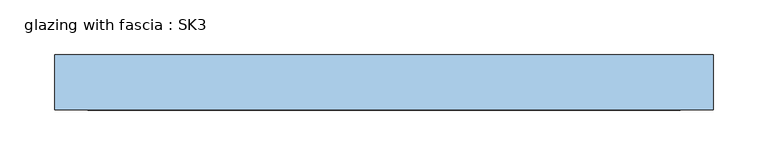
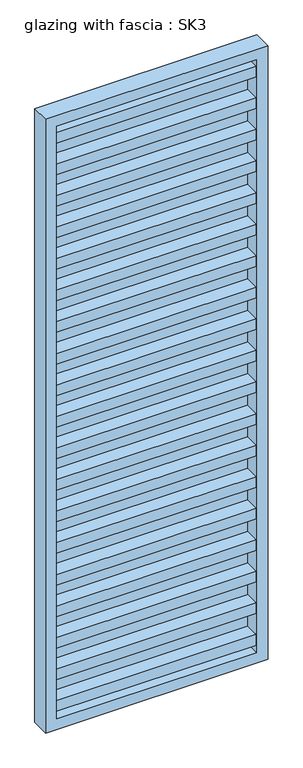
"""IFC4 building model written with IfcOpenShell, lengths in millimetres: window geometry, glazing with fascia : SK3."""

from ifc_helpers import new_model, si_unit, frame, origin, place, context, project, spatial, polyline, outline, extrude, source, transform, mapped, element, save


def glazing_with_fascia_sk3_745c6f6e(model_context):
    return source(origin(), model_context, "Body", "SweptSolid", [
        extrude(outline(polyline([(269.9998148, -0.1334055), (269.9998148, -8.1334055), (-269.9998148, -8.1334055), (-269.9998148, -0.1334055), (269.9998148, -0.1334055)])), frame((0.0, 0.0, 30.0), z_axis=(0.0, 0.0, 1.0), x_axis=(1.0, 0.0, 0.0)), (0.0, 0.0, 1.0), 1690.0),
        extrude(outline(polyline([(1750.0, -299.9998148), (0.0, -299.9998148), (0.0, 299.9998148), (1750.0, 299.9998148), (1750.0, -299.9998148)]), holes=[polyline([(1720.0, -269.9998148), (1720.0, 269.9998148), (30.0, 269.9998148), (30.0, -269.9998148), (1720.0, -269.9998148)])]), frame((0.0, -50.0, 0.0), z_axis=(0.0, 1.0, 0.0), x_axis=(0.0, 0.0, 1.0)), (0.0, 0.0, 1.0), 50.0),
        extrude(outline(polyline([(-269.9998148, -48.1334055), (-269.9998148, -8.1334055), (269.9998148, -8.1334055), (269.9998148, -48.1334055), (-269.9998148, -48.1334055)])), frame((0.0, 0.0, 1580.4), z_axis=(0.0, 0.0, 1.0), x_axis=(1.0, 0.0, 0.0)), (0.0, 0.0, 1.0), 30.0),
        extrude(outline(polyline([(-269.9998148, -48.1334055), (-269.9998148, -8.1334055), (269.9998148, -8.1334055), (269.9998148, -48.1334055), (-269.9998148, -48.1334055)])), frame((0.0, 0.0, 1490.4), z_axis=(0.0, 0.0, 1.0), x_axis=(1.0, 0.0, 0.0)), (0.0, 0.0, 1.0), 30.0),
        extrude(outline(polyline([(-269.9998148, -48.1334055), (-269.9998148, -8.1334055), (269.9998148, -8.1334055), (269.9998148, -48.1334055), (-269.9998148, -48.1334055)])), frame((0.0, 0.0, 1400.4), z_axis=(0.0, 0.0, 1.0), x_axis=(1.0, 0.0, 0.0)), (0.0, 0.0, 1.0), 30.0),
        extrude(outline(polyline([(-269.9998148, -48.1334055), (-269.9998148, -8.1334055), (269.9998148, -8.1334055), (269.9998148, -48.1334055), (-269.9998148, -48.1334055)])), frame((0.0, 0.0, 1310.4), z_axis=(0.0, 0.0, 1.0), x_axis=(1.0, 0.0, 0.0)), (0.0, 0.0, 1.0), 30.0),
        extrude(outline(polyline([(-269.9998148, -48.1334055), (-269.9998148, -8.1334055), (269.9998148, -8.1334055), (269.9998148, -48.1334055), (-269.9998148, -48.1334055)])), frame((0.0, 0.0, 1220.4), z_axis=(0.0, 0.0, 1.0), x_axis=(1.0, 0.0, 0.0)), (0.0, 0.0, 1.0), 30.0),
        extrude(outline(polyline([(-269.9998148, -48.1334055), (-269.9998148, -8.1334055), (269.9998148, -8.1334055), (269.9998148, -48.1334055), (-269.9998148, -48.1334055)])), frame((0.0, 0.0, 1130.4), z_axis=(0.0, 0.0, 1.0), x_axis=(1.0, 0.0, 0.0)), (0.0, 0.0, 1.0), 30.0),
        extrude(outline(polyline([(-269.9998148, -48.1334055), (-269.9998148, -8.1334055), (269.9998148, -8.1334055), (269.9998148, -48.1334055), (-269.9998148, -48.1334055)])), frame((0.0, 0.0, 1040.4), z_axis=(0.0, 0.0, 1.0), x_axis=(1.0, 0.0, 0.0)), (0.0, 0.0, 1.0), 30.0),
        extrude(outline(polyline([(-269.9998148, -48.1334055), (-269.9998148, -8.1334055), (269.9998148, -8.1334055), (269.9998148, -48.1334055), (-269.9998148, -48.1334055)])), frame((0.0, 0.0, 950.4), z_axis=(0.0, 0.0, 1.0), x_axis=(1.0, 0.0, 0.0)), (0.0, 0.0, 1.0), 30.0),
        extrude(outline(polyline([(-269.9998148, -48.1334055), (-269.9998148, -8.1334055), (269.9998148, -8.1334055), (269.9998148, -48.1334055), (-269.9998148, -48.1334055)])), frame((0.0, 0.0, 860.4), z_axis=(0.0, 0.0, 1.0), x_axis=(1.0, 0.0, 0.0)), (0.0, 0.0, 1.0), 30.0),
        extrude(outline(polyline([(-269.9998148, -48.1334055), (-269.9998148, -8.1334055), (269.9998148, -8.1334055), (269.9998148, -48.1334055), (-269.9998148, -48.1334055)])), frame((0.0, 0.0, 770.4), z_axis=(0.0, 0.0, 1.0), x_axis=(1.0, 0.0, 0.0)), (0.0, 0.0, 1.0), 30.0),
        extrude(outline(polyline([(-269.9998148, -48.1334055), (-269.9998148, -8.1334055), (269.9998148, -8.1334055), (269.9998148, -48.1334055), (-269.9998148, -48.1334055)])), frame((0.0, 0.0, 680.4), z_axis=(0.0, 0.0, 1.0), x_axis=(1.0, 0.0, 0.0)), (0.0, 0.0, 1.0), 30.0),
        extrude(outline(polyline([(-269.9998148, -48.1334055), (-269.9998148, -8.1334055), (269.9998148, -8.1334055), (269.9998148, -48.1334055), (-269.9998148, -48.1334055)])), frame((0.0, 0.0, 590.4), z_axis=(0.0, 0.0, 1.0), x_axis=(1.0, 0.0, 0.0)), (0.0, 0.0, 1.0), 30.0),
        extrude(outline(polyline([(-269.9998148, -48.1334055), (-269.9998148, -8.1334055), (269.9998148, -8.1334055), (269.9998148, -48.1334055), (-269.9998148, -48.1334055)])), frame((0.0, 0.0, 500.4), z_axis=(0.0, 0.0, 1.0), x_axis=(1.0, 0.0, 0.0)), (0.0, 0.0, 1.0), 30.0),
        extrude(outline(polyline([(-269.9998148, -48.1334055), (-269.9998148, -8.1334055), (269.9998148, -8.1334055), (269.9998148, -48.1334055), (-269.9998148, -48.1334055)])), frame((0.0, 0.0, 410.4), z_axis=(0.0, 0.0, 1.0), x_axis=(1.0, 0.0, 0.0)), (0.0, 0.0, 1.0), 30.0),
        extrude(outline(polyline([(-269.9998148, -48.1334055), (-269.9998148, -8.1334055), (269.9998148, -8.1334055), (269.9998148, -48.1334055), (-269.9998148, -48.1334055)])), frame((0.0, 0.0, 320.4), z_axis=(0.0, 0.0, 1.0), x_axis=(1.0, 0.0, 0.0)), (0.0, 0.0, 1.0), 30.0),
        extrude(outline(polyline([(-269.9998148, -48.1334055), (-269.9998148, -8.1334055), (269.9998148, -8.1334055), (269.9998148, -48.1334055), (-269.9998148, -48.1334055)])), frame((0.0, 0.0, 230.4), z_axis=(0.0, 0.0, 1.0), x_axis=(1.0, 0.0, 0.0)), (0.0, 0.0, 1.0), 30.0),
        extrude(outline(polyline([(-269.9998148, -48.1334055), (-269.9998148, -8.1334055), (269.9998148, -8.1334055), (269.9998148, -48.1334055), (-269.9998148, -48.1334055)])), frame((0.0, 0.0, 140.4), z_axis=(0.0, 0.0, 1.0), x_axis=(1.0, 0.0, 0.0)), (0.0, 0.0, 1.0), 30.0),
        extrude(outline(polyline([(-269.9998148, -48.1334055), (-269.9998148, -8.1334055), (269.9998148, -8.1334055), (269.9998148, -48.1334055), (-269.9998148, -48.1334055)])), frame((0.0, 0.0, 50.4), z_axis=(0.0, 0.0, 1.0), x_axis=(1.0, 0.0, 0.0)), (0.0, 0.0, 1.0), 30.0),
        extrude(outline(polyline([(-269.9998148, -48.1334055), (-269.9998148, -8.1334055), (269.9998148, -8.1334055), (269.9998148, -48.1334055), (-269.9998148, -48.1334055)])), frame((0.0, 0.0, 1670.0), z_axis=(0.0, 0.0, 1.0), x_axis=(1.0, 0.0, 0.0)), (0.0, 0.0, 1.0), 30.0),
    ])


if __name__ == "__main__":
    model = new_model("IFC4")
    model_context = context("Model", 3, world=origin())
    ifc_project = project(units=[si_unit("LENGTHUNIT", "METRE", prefix="MILLI")], contexts=[model_context])
    site = spatial("IfcSite", under=ifc_project)
    building = spatial("IfcBuilding", under=site)
    placement = place(None, origin())
    glazing_with_fascia_sk3_shape = glazing_with_fascia_sk3_745c6f6e(model_context)
    element("IfcWindow", 1, ObjectType="glazing with fascia : SK3", at=placement, inside=building, context=model_context, shape_type="MappedRepresentation", body=[
        mapped(glazing_with_fascia_sk3_shape, transform((0.0, 0.0, 0.0), x_axis=(1.0, 0.0, 0.0), y_axis=(0.0, 1.0, 0.0), z_axis=(0.0, 0.0, 1.0))),
    ])
    save(model, "model.ifc")
